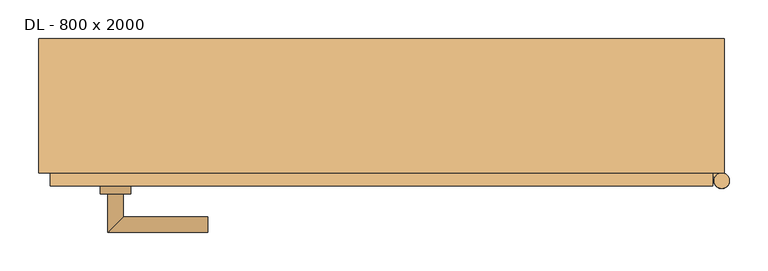
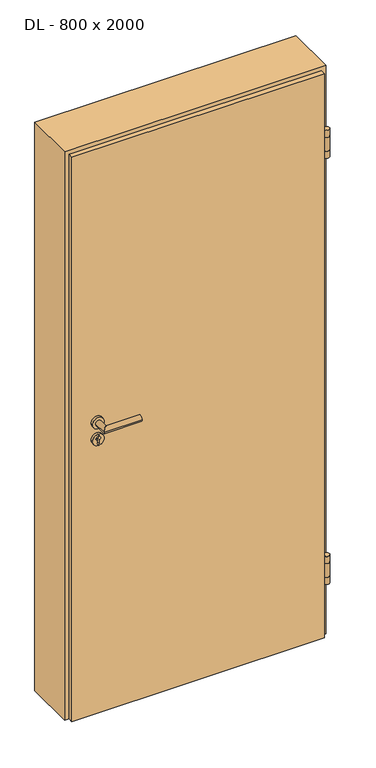
"""IFC4 building model written with IfcOpenShell, lengths in millimetres: door geometry, DL - 800 x 2000."""

from ifc_helpers import new_model, si_unit, point, frame, frame_2d, origin, place, context, project, spatial, polyline, circle_curve, ellipse_curve, trimmed, segment, composite_curve, outline, extrude, faceted_brep, source, transform, mapped, element, save
from ifc_brep_helpers import plane_surface, cylinder_surface, advanced_brep


def dl_800_x_2000_15993c6e(model_context):
    return source(origin(), model_context, "Body", "SolidModel", [
        faceted_brep([(430.0, -104.5, 0.0), (-430.0, -104.5, 0.0), (-430.0, -87.5, 0.0), (-415.0, -87.5, 0.0), (-415.0, -59.5, 0.0), (415.0, -59.5, 0.0), (415.0, -87.5, 0.0), (430.0, -87.5, 0.0), (430.0, -104.5, 2030.0), (-430.0, -104.5, 2030.0), (-430.0, -87.5, 2030.0), (-415.0, -87.5, 2015.0), (430.0, -87.5, 2030.0), (415.0, -87.5, 2015.0), (-415.0, -59.5, 2015.0), (415.0, -59.5, 2015.0)], [[[0, 1, 2, 3, 4, 5, 6, 7]], [[8, 9, 1, 0]], [[1, 9, 10, 2]], [[11, 3, 2, 10, 12, 7, 6, 13]], [[3, 11, 14, 4]], [[5, 4, 14, 15]], [[13, 6, 5, 15]], [[8, 0, 7, 12]], [[9, 8, 12, 10]], [[11, 13, 15, 14]]]),
        extrude(outline(composite_curve([segment(trimmed(circle_curve(frame_2d((442.0, -97.5)), 10.0), [point((432.0, -97.5))], [point((452.0, -97.5))], False, "CARTESIAN"), True, "CONTINUOUS"), segment(trimmed(circle_curve(frame_2d((442.0, -97.5)), 10.0), [point((452.0, -97.5))], [point((432.0, -97.5))], False, "CARTESIAN"), True, "CONTINUOUS")], self_intersect=False)), frame((0.0, 0.0, 1799.0), z_axis=(0.0, 0.0, 1.0), x_axis=(1.0, 0.0, 0.0)), (0.0, 0.0, 1.0), 25.0),
        extrude(outline(composite_curve([segment(trimmed(circle_curve(frame_2d((442.0, -97.5)), 10.0), [point((442.0, -87.5))], [point((433.339746, -92.5))], False, "CARTESIAN"), True, "CONTINUOUS"), segment(polyline([(433.339746, -92.5), (430.0, -92.5), (430.0, -87.5), (442.0, -87.5)]), True, "CONTINUOUS")], self_intersect=False)), frame((0.0, 0.0, 1749.0), z_axis=(0.0, 0.0, 1.0), x_axis=(1.0, 0.0, 0.0)), (0.0, 0.0, 1.0), 50.0),
        extrude(outline(composite_curve([segment(trimmed(circle_curve(frame_2d((442.0, -97.5)), 10.0), [point((432.0, -97.5))], [point((452.0, -97.5))], False, "CARTESIAN"), True, "CONTINUOUS"), segment(trimmed(circle_curve(frame_2d((442.0, -97.5)), 10.0), [point((452.0, -97.5))], [point((432.0, -97.5))], False, "CARTESIAN"), True, "CONTINUOUS")], self_intersect=False)), frame((0.0, 0.0, 1724.0), z_axis=(0.0, 0.0, 1.0), x_axis=(1.0, 0.0, 0.0)), (0.0, 0.0, 1.0), 25.0),
        extrude(outline(composite_curve([segment(trimmed(circle_curve(frame_2d((442.0, -97.5)), 10.0), [point((432.0, -97.5))], [point((452.0, -97.5))], False, "CARTESIAN"), True, "CONTINUOUS"), segment(trimmed(circle_curve(frame_2d((442.0, -97.5)), 10.0), [point((452.0, -97.5))], [point((432.0, -97.5))], False, "CARTESIAN"), True, "CONTINUOUS")], self_intersect=False)), frame((0.0, 0.0, 266.0), z_axis=(0.0, 0.0, 1.0), x_axis=(1.0, 0.0, 0.0)), (0.0, 0.0, 1.0), 25.0),
        extrude(outline(composite_curve([segment(trimmed(circle_curve(frame_2d((442.0, -97.5)), 10.0), [point((442.0, -87.5))], [point((433.339746, -92.5))], False, "CARTESIAN"), True, "CONTINUOUS"), segment(polyline([(433.339746, -92.5), (430.0, -92.5), (430.0, -87.5), (442.0, -87.5)]), True, "CONTINUOUS")], self_intersect=False)), frame((0.0, 0.0, 216.0), z_axis=(0.0, 0.0, 1.0), x_axis=(1.0, 0.0, 0.0)), (0.0, 0.0, 1.0), 50.0),
        extrude(outline(composite_curve([segment(trimmed(circle_curve(frame_2d((442.0, -97.5)), 10.0), [point((432.0, -97.5))], [point((452.0, -97.5))], False, "CARTESIAN"), True, "CONTINUOUS"), segment(trimmed(circle_curve(frame_2d((442.0, -97.5)), 10.0), [point((452.0, -97.5))], [point((432.0, -97.5))], False, "CARTESIAN"), True, "CONTINUOUS")], self_intersect=False)), frame((0.0, 0.0, 191.0), z_axis=(0.0, 0.0, 1.0), x_axis=(1.0, 0.0, 0.0)), (0.0, 0.0, 1.0), 25.0),
        advanced_brep(
        [(-335.0, -114.5, 1050.0), (-355.0, -114.5, 1050.0), (-355.0, -164.5, 1050.0), (-335.0, -144.5, 1050.0), (-225.0, -144.5, 1050.0), (-225.0, -164.5, 1050.0)],
        [
            (0, 1, circle_curve(frame((-345.0, -114.5, 1050.0), z_axis=(0.0, 1.0, 0.0), x_axis=(-1.0, 0.0, 0.0)), 10.0)),
            (1, 0, circle_curve(frame((-345.0, -114.5, 1050.0), z_axis=(0.0, 1.0, 0.0), x_axis=(-1.0, 0.0, 0.0)), 10.0)),
            (1, 2),
            (2, 3, ellipse_curve(frame((-345.0, -154.5, 1050.0), z_axis=(-0.7071067811865531, 0.7071067811865419, 0.0), x_axis=(0.707106781186542, 0.707106781186553, 0.0)), 14.1421356, 10.0)),
            (3, 0),
            (3, 2, ellipse_curve(frame((-345.0, -154.5, 1050.0), z_axis=(-0.7071067811865531, 0.7071067811865419, 0.0), x_axis=(0.707106781186542, 0.707106781186553, 0.0)), 14.1421356, 10.0)),
            (4, 5, circle_curve(frame((-225.0, -154.5, 1050.0), z_axis=(1.0, 0.0, 0.0), x_axis=(0.0, -1.0, 0.0)), 10.0)),
            (5, 4, circle_curve(frame((-225.0, -154.5, 1050.0), z_axis=(1.0, 0.0, 0.0), x_axis=(0.0, -1.0, 0.0)), 10.0)),
            (2, 5),
            (4, 3),
        ],
        [
            plane_surface(frame((-345.0, -114.5, 1050.0), z_axis=(0.0, 1.0, 0.0), x_axis=(0.0, 0.0, 1.0))),
            cylinder_surface(frame((-345.0, -114.5, 1050.0), z_axis=(0.0, 1.0, 0.0), x_axis=(-1.0, 0.0, 0.0)), 10.0),
            plane_surface(frame((-225.0, -154.5, 1050.0), z_axis=(1.0, 0.0, 0.0), x_axis=(0.0, 0.0, 1.0))),
            cylinder_surface(frame((-345.0, -154.5, 1050.0), z_axis=(-1.0, 0.0, 0.0), x_axis=(0.0, -1.0, 0.0)), 10.0),
        ],
        [
            (0, [[1, 2]]),
            (1, [[3, 4, 5, -2]]),
            (1, [[-5, 6, -3, -1]]),
            (2, [[7, 8]]),
            (3, [[9, -7, 10, -4]]),
            (3, [[-10, -8, -9, -6]]),
        ],
    ),
        extrude(outline(composite_curve([segment(trimmed(circle_curve(frame_2d((990.0, -345.0)), 20.0), [point((990.0, -365.0))], [point((990.0, -325.0))], False, "CARTESIAN"), True, "CONTINUOUS"), segment(trimmed(circle_curve(frame_2d((990.0, -345.0)), 20.0), [point((990.0, -325.0))], [point((990.0, -365.0))], False, "CARTESIAN"), True, "CONTINUOUS")], self_intersect=False), holes=[composite_curve([segment(polyline([(976.4601385, -347.397268), (988.4749012, -347.397268)]), True, "CONTINUOUS"), segment(trimmed(circle_curve(frame_2d((995.0361633, -345.0)), 6.9854888), [point((988.4749012, -347.397268))], [point((988.4749012, -342.602732))], True, "CARTESIAN"), True, "CONTINUOUS"), segment(polyline([(988.4749012, -342.602732), (976.4601385, -342.602732)]), True, "CONTINUOUS"), segment(trimmed(circle_curve(frame_2d((976.4601385, -345.0)), 2.397268), [point((976.4601385, -342.602732))], [point((976.4601385, -347.397268))], True, "CARTESIAN"), True, "CONTINUOUS")], self_intersect=False)]), frame((0.0, -114.5, 0.0), z_axis=(0.0, 1.0, 0.0), x_axis=(0.0, 0.0, 1.0)), (0.0, 0.0, 1.0), 10.0),
        advanced_brep(
        [(-335.0, -114.5, 1050.0), (-355.0, -114.5, 1050.0), (-355.0, -164.5, 1050.0), (-335.0, -144.5, 1050.0), (-225.0, -144.5, 1050.0), (-225.0, -164.5, 1050.0)],
        [
            (0, 1, circle_curve(frame((-345.0, -114.5, 1050.0), z_axis=(0.0, 1.0, 0.0), x_axis=(-1.0, 0.0, 0.0)), 10.0)),
            (1, 0, circle_curve(frame((-345.0, -114.5, 1050.0), z_axis=(0.0, 1.0, 0.0), x_axis=(-1.0, 0.0, 0.0)), 10.0)),
            (1, 2),
            (2, 3, ellipse_curve(frame((-345.0, -154.5, 1050.0), z_axis=(-0.7071067811865537, 0.7071067811865414, 0.0), x_axis=(0.7071067811865414, 0.7071067811865536, 0.0)), 14.1421356, 10.0)),
            (3, 0),
            (3, 2, ellipse_curve(frame((-345.0, -154.5, 1050.0), z_axis=(-0.7071067811865537, 0.7071067811865414, 0.0), x_axis=(0.7071067811865414, 0.7071067811865536, 0.0)), 14.1421356, 10.0)),
            (4, 5, circle_curve(frame((-225.0, -154.5, 1050.0), z_axis=(1.0, 0.0, 0.0), x_axis=(0.0, -1.0, 0.0)), 10.0)),
            (5, 4, circle_curve(frame((-225.0, -154.5, 1050.0), z_axis=(1.0, 0.0, 0.0), x_axis=(0.0, -1.0, 0.0)), 10.0)),
            (2, 5),
            (4, 3),
        ],
        [
            plane_surface(frame((-345.0, -114.5, 1050.0), z_axis=(0.0, 1.0, 0.0), x_axis=(0.0, 0.0, 1.0))),
            cylinder_surface(frame((-345.0, -114.5, 1050.0), z_axis=(0.0, 1.0, 0.0), x_axis=(-1.0, 0.0, 0.0)), 10.0),
            plane_surface(frame((-225.0, -154.5, 1050.0), z_axis=(1.0, 0.0, 0.0), x_axis=(0.0, 0.0, 1.0))),
            cylinder_surface(frame((-345.0, -154.5, 1050.0), z_axis=(-1.0, 0.0, 0.0), x_axis=(0.0, -1.0, 0.0)), 10.0),
        ],
        [
            (0, [[1, 2]]),
            (1, [[3, 4, 5, -2]]),
            (1, [[-5, 6, -3, -1]]),
            (2, [[7, 8]]),
            (3, [[9, -7, 10, -4]]),
            (3, [[-10, -8, -9, -6]]),
        ],
    ),
        extrude(outline(composite_curve([segment(trimmed(circle_curve(frame_2d((1050.0, -345.0)), 20.0), [point((1050.0, -365.0))], [point((1050.0, -325.0))], False, "CARTESIAN"), True, "CONTINUOUS"), segment(trimmed(circle_curve(frame_2d((1050.0, -345.0)), 20.0), [point((1050.0, -325.0))], [point((1050.0, -365.0))], False, "CARTESIAN"), True, "CONTINUOUS")], self_intersect=False)), frame((0.0, -114.5, 0.0), z_axis=(0.0, 1.0, 0.0), x_axis=(0.0, 0.0, 1.0)), (0.0, 0.0, 1.0), 10.0),
        advanced_brep(
        [(-335.0, -49.5, 1050.0), (-355.0, -49.5, 1050.0), (-335.0, -19.5, 1050.0), (-355.0, 0.5, 1050.0), (-225.0, -19.5, 1050.0), (-225.0, 0.5, 1050.0)],
        [
            (0, 1, circle_curve(frame((-345.0, -49.5, 1050.0), z_axis=(0.0, -1.0, 0.0), x_axis=(-1.0, 0.0, 0.0)), 10.0)),
            (1, 0, circle_curve(frame((-345.0, -49.5, 1050.0), z_axis=(0.0, -1.0, 0.0), x_axis=(-1.0, 0.0, 0.0)), 10.0)),
            (0, 2),
            (2, 3, ellipse_curve(frame((-345.0, -9.5, 1050.0), z_axis=(-0.7071067811865486, -0.7071067811865464, 0.0), x_axis=(0.7071067811865464, -0.7071067811865488, 0.0)), 14.1421356, 10.0)),
            (3, 1),
            (3, 2, ellipse_curve(frame((-345.0, -9.5, 1050.0), z_axis=(-0.7071067811865486, -0.7071067811865464, 0.0), x_axis=(0.7071067811865464, -0.7071067811865488, 0.0)), 14.1421356, 10.0)),
            (4, 5, circle_curve(frame((-225.0, -9.5, 1050.0), z_axis=(1.0, 0.0, 0.0), x_axis=(0.0, 1.0, 0.0)), 10.0)),
            (5, 4, circle_curve(frame((-225.0, -9.5, 1050.0), z_axis=(1.0, 0.0, 0.0), x_axis=(0.0, 1.0, 0.0)), 10.0)),
            (2, 4),
            (5, 3),
        ],
        [
            plane_surface(frame((-345.0, -49.5, 1050.0), z_axis=(0.0, -1.0, 0.0), x_axis=(0.0, 0.0, 1.0))),
            cylinder_surface(frame((-345.0, -49.5, 1050.0), z_axis=(0.0, -1.0, 0.0), x_axis=(-1.0, 0.0, 0.0)), 10.0),
            plane_surface(frame((-225.0, -9.5, 1050.0), z_axis=(1.0, 0.0, 0.0), x_axis=(0.0, 0.0, 1.0))),
            cylinder_surface(frame((-345.0, -9.5, 1050.0), z_axis=(-1.0, 0.0, 0.0), x_axis=(0.0, 1.0, 0.0)), 10.0),
        ],
        [
            (0, [[1, 2]]),
            (1, [[-1, 3, 4, 5]]),
            (1, [[-2, -5, 6, -3]]),
            (2, [[7, 8]]),
            (3, [[-4, 9, -8, 10]]),
            (3, [[-6, -10, -7, -9]]),
        ],
    ),
        extrude(outline(composite_curve([segment(trimmed(circle_curve(frame_2d((990.0, -345.0)), 20.0), [point((990.0, -365.0))], [point((990.0, -325.0))], False, "CARTESIAN"), True, "CONTINUOUS"), segment(trimmed(circle_curve(frame_2d((990.0, -345.0)), 20.0), [point((990.0, -325.0))], [point((990.0, -365.0))], False, "CARTESIAN"), True, "CONTINUOUS")], self_intersect=False), holes=[composite_curve([segment(polyline([(976.4601385, -347.397268), (988.4749012, -347.397268)]), True, "CONTINUOUS"), segment(trimmed(circle_curve(frame_2d((995.0361633, -345.0)), 6.9854888), [point((988.4749012, -347.397268))], [point((988.4749012, -342.602732))], True, "CARTESIAN"), True, "CONTINUOUS"), segment(polyline([(988.4749012, -342.602732), (976.4601385, -342.602732)]), True, "CONTINUOUS"), segment(trimmed(circle_curve(frame_2d((976.4601385, -345.0)), 2.397268), [point((976.4601385, -342.602732))], [point((976.4601385, -347.397268))], True, "CARTESIAN"), True, "CONTINUOUS")], self_intersect=False)]), frame((0.0, -59.5, 0.0), z_axis=(0.0, 1.0, 0.0), x_axis=(0.0, 0.0, 1.0)), (0.0, 0.0, 1.0), 10.0),
        advanced_brep(
        [(-335.0, -49.5, 1050.0), (-355.0, -49.5, 1050.0), (-335.0, -19.5, 1050.0), (-355.0, 0.5, 1050.0), (-225.0, -19.5, 1050.0), (-225.0, 0.5, 1050.0)],
        [
            (0, 1, circle_curve(frame((-345.0, -49.5, 1050.0), z_axis=(0.0, -1.0, 0.0), x_axis=(-1.0, 0.0, 0.0)), 10.0)),
            (1, 0, circle_curve(frame((-345.0, -49.5, 1050.0), z_axis=(0.0, -1.0, 0.0), x_axis=(-1.0, 0.0, 0.0)), 10.0)),
            (0, 2),
            (2, 3, ellipse_curve(frame((-345.0, -9.5, 1050.0), z_axis=(-0.7071067811865491, -0.7071067811865459, 0.0), x_axis=(0.7071067811865458, -0.7071067811865492, 0.0)), 14.1421356, 10.0)),
            (3, 1),
            (3, 2, ellipse_curve(frame((-345.0, -9.5, 1050.0), z_axis=(-0.7071067811865491, -0.7071067811865459, 0.0), x_axis=(0.7071067811865458, -0.7071067811865492, 0.0)), 14.1421356, 10.0)),
            (4, 5, circle_curve(frame((-225.0, -9.5, 1050.0), z_axis=(1.0, 0.0, 0.0), x_axis=(0.0, 1.0, 0.0)), 10.0)),
            (5, 4, circle_curve(frame((-225.0, -9.5, 1050.0), z_axis=(1.0, 0.0, 0.0), x_axis=(0.0, 1.0, 0.0)), 10.0)),
            (2, 4),
            (5, 3),
        ],
        [
            plane_surface(frame((-345.0, -49.5, 1050.0), z_axis=(0.0, -1.0, 0.0), x_axis=(0.0, 0.0, 1.0))),
            cylinder_surface(frame((-345.0, -49.5, 1050.0), z_axis=(0.0, -1.0, 0.0), x_axis=(-1.0, 0.0, 0.0)), 10.0),
            plane_surface(frame((-225.0, -9.5, 1050.0), z_axis=(1.0, 0.0, 0.0), x_axis=(0.0, 0.0, 1.0))),
            cylinder_surface(frame((-345.0, -9.5, 1050.0), z_axis=(-1.0, 0.0, 0.0), x_axis=(0.0, 1.0, 0.0)), 10.0),
        ],
        [
            (0, [[1, 2]]),
            (1, [[-1, 3, 4, 5]]),
            (1, [[-2, -5, 6, -3]]),
            (2, [[7, 8]]),
            (3, [[-4, 9, -8, 10]]),
            (3, [[-6, -10, -7, -9]]),
        ],
    ),
        extrude(outline(composite_curve([segment(trimmed(circle_curve(frame_2d((1050.0, -345.0)), 20.0), [point((1050.0, -365.0))], [point((1050.0, -325.0))], False, "CARTESIAN"), True, "CONTINUOUS"), segment(trimmed(circle_curve(frame_2d((1050.0, -345.0)), 20.0), [point((1050.0, -325.0))], [point((1050.0, -365.0))], False, "CARTESIAN"), True, "CONTINUOUS")], self_intersect=False)), frame((0.0, -59.5, 0.0), z_axis=(0.0, 1.0, 0.0), x_axis=(0.0, 0.0, 1.0)), (0.0, 0.0, 1.0), 10.0),
        faceted_brep([(-415.0, -87.5, 0.0), (-445.0, -87.5, 0.0), (-445.0, 87.5, 0.0), (-400.0, 87.5, 0.0), (-400.0, -59.5, 0.0), (-415.0, -59.5, 0.0), (-415.0, -59.5, 2015.0), (-415.0, -87.5, 2015.0), (-400.0, -59.5, 2000.0), (400.0, -59.5, 2000.0), (400.0, -59.5, 0.0), (415.0, -59.5, 0.0), (415.0, -59.5, 2015.0), (-400.0, 87.5, 2000.0), (-445.0, 87.5, 2045.0), (445.0, 87.5, 2045.0), (445.0, 87.5, 0.0), (400.0, 87.5, 0.0), (400.0, 87.5, 2000.0), (-445.0, -87.5, 2045.0), (415.0, -87.5, 2015.0), (415.0, -87.5, 0.0), (445.0, -87.5, 0.0), (445.0, -87.5, 2045.0)], [[[0, 1, 2, 3, 4, 5]], [[5, 6, 7, 0]], [[4, 8, 9, 10, 11, 12, 6, 5]], [[3, 13, 8, 4]], [[2, 14, 15, 16, 17, 18, 13, 3]], [[1, 19, 14, 2]], [[0, 7, 20, 21, 22, 23, 19, 1]], [[23, 22, 16, 15]], [[21, 11, 10, 17, 16, 22]], [[12, 11, 21, 20]], [[18, 17, 10, 9]], [[19, 23, 15, 14]], [[13, 18, 9, 8]], [[6, 12, 20, 7]]]),
    ])


if __name__ == "__main__":
    model = new_model("IFC4")
    model_context = context("Model", 3, world=origin())
    ifc_project = project(units=[si_unit("LENGTHUNIT", "METRE", prefix="MILLI")], contexts=[model_context])
    site = spatial("IfcSite", under=ifc_project)
    building = spatial("IfcBuilding", under=site)
    placement = place(None, origin())
    dl_800_x_2000_shape = dl_800_x_2000_15993c6e(model_context)
    element("IfcDoor", 1, ObjectType="DL - 800 x 2000", at=placement, inside=building, context=model_context, shape_type="MappedRepresentation", body=[
        mapped(dl_800_x_2000_shape, transform((0.0, 0.0, 0.0), x_axis=(1.0, 0.0, 0.0), y_axis=(0.0, 1.0, 0.0), z_axis=(0.0, 0.0, 1.0))),
    ])
    save(model, "model.ifc")
